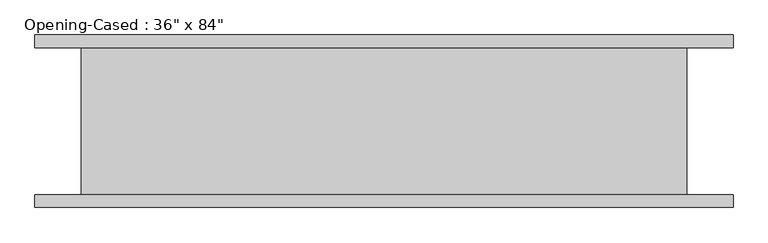
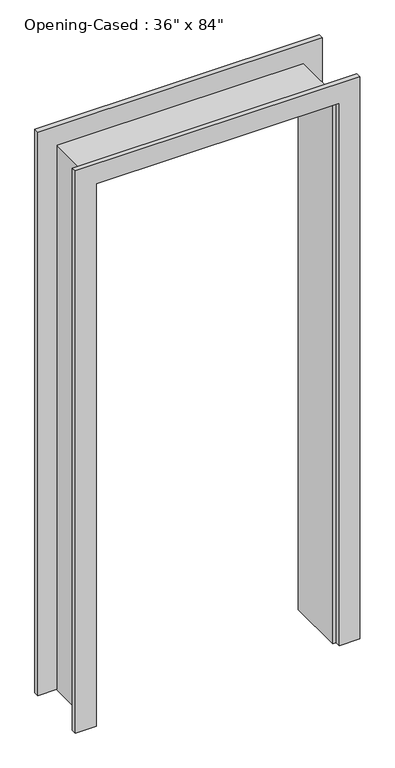
"""IFC4 building model written with IfcOpenShell, lengths in millimetres: proxy geometry."""

from ifc_helpers import new_model, si_unit, frame, origin, place, context, project, spatial, polyline, outline, extrude, faceted_brep, source, transform, mapped, element, save


def proxy_4173ee0c(model_context):
    return source(origin(), model_context, "Body", "SolidModel", [
        extrude(outline(polyline([(0.0, -459.0386567), (2127.25, -459.0386567), (2127.25, 442.6613433), (0.0, 442.6613433), (0.0, 518.8613433), (2203.45, 518.8613433), (2203.45, -535.2386567), (0.0, -535.2386567), (0.0, -459.0386567)])), frame((0.0, -130.175, 0.0), z_axis=(0.0, 1.0, 0.0), x_axis=(0.0, 0.0, 1.0)), (0.0, 0.0, 1.0), 19.05),
        extrude(outline(polyline([(0.0, 518.8613433), (2209.8, 518.8613433), (2209.8, -535.2386567), (0.0, -535.2386567), (0.0, -459.0386567), (2127.25, -459.0386567), (2127.25, 442.6613433), (0.0, 442.6613433), (0.0, 518.8613433)])), frame((0.0, 111.125, 0.0), z_axis=(0.0, 1.0, 0.0), x_axis=(0.0, 0.0, 1.0)), (0.0, 0.0, 1.0), 19.05),
        faceted_brep([(429.9613433, 111.125, 0.0), (449.0113433, 111.125, 0.0), (449.0113433, -111.125, 0.0), (429.9613433, -111.125, 0.0), (429.9613433, 111.125, 2114.55), (449.0113433, 111.125, 2133.6), (449.0113433, -111.125, 2133.6), (429.9613433, -111.125, 2114.55), (-446.3386567, 111.125, 2114.55), (-465.3886567, 111.125, 2133.6), (-465.3886567, -111.125, 2133.6), (-446.3386567, -111.125, 2114.55), (-446.3386567, 111.125, 0.0), (-446.3386567, -111.125, 0.0), (-465.3886567, -111.125, 0.0), (-465.3886567, 111.125, 0.0)], [[[0, 1, 2, 3]], [[1, 0, 4, 5]], [[2, 1, 5, 6]], [[3, 2, 6, 7]], [[0, 3, 7, 4]], [[5, 4, 8, 9]], [[6, 5, 9, 10]], [[7, 6, 10, 11]], [[4, 7, 11, 8]], [[12, 13, 14, 15]], [[9, 8, 12, 15]], [[10, 9, 15, 14]], [[11, 10, 14, 13]], [[8, 11, 13, 12]]]),
    ])


if __name__ == "__main__":
    model = new_model("IFC4")
    model_context = context("Model", 3, world=origin())
    ifc_project = project(units=[si_unit("LENGTHUNIT", "METRE", prefix="MILLI")], contexts=[model_context])
    site = spatial("IfcSite", under=ifc_project)
    building = spatial("IfcBuilding", under=site)
    placement = place(None, origin())
    proxy_shape = proxy_4173ee0c(model_context)
    element("IfcBuildingElementProxy", 1, Name="Opening-Cased : 36\" x 84\"", ObjectType="Opening-Cased : 36\" x 84\"", at=placement, inside=building, context=model_context, shape_type="MappedRepresentation", body=[
        mapped(proxy_shape, transform((0.0, 0.0, 0.0), x_axis=(1.0, 0.0, 0.0), y_axis=(0.0, 1.0, 0.0), z_axis=(0.0, 0.0, 1.0))),
    ])
    save(model, "model.ifc")
